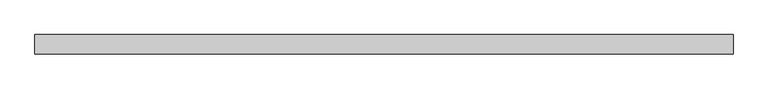
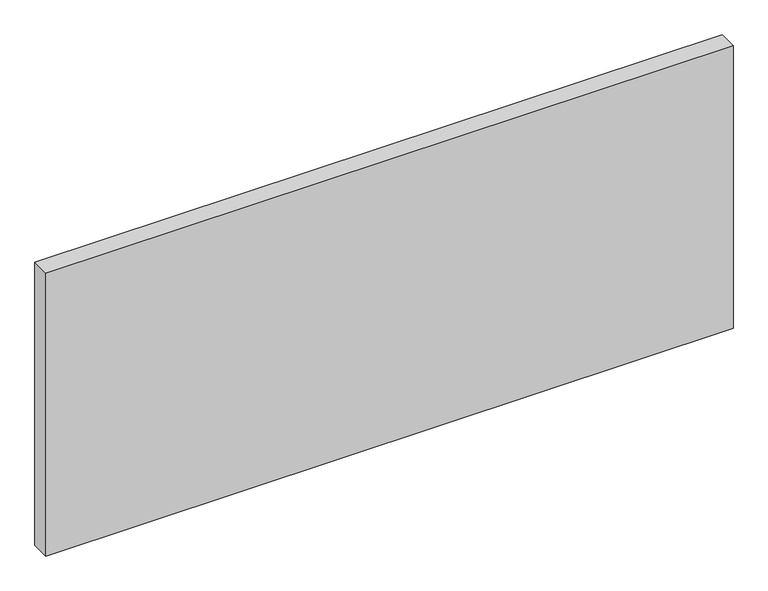
"""IFC4 building model written with IfcOpenShell, lengths in millimetres: plate geometry."""

from ifc_helpers import new_model, si_unit, origin, origin_with_axes, place, context, project, spatial, polyline, outline, extrude, source, transform, mapped, element, save


def plate_f567a6fb(model_context):
    return source(origin(), model_context, "Body", "SweptSolid", [
        extrude(outline(polyline([(575.0000002, -32.0), (-575.0000002, -32.0), (-575.0000002, 0.0), (575.0000002, 0.0), (575.0000002, -32.0)])), origin_with_axes(), (0.0, 0.0, 1.0), 500.0),
    ])


if __name__ == "__main__":
    model = new_model("IFC4")
    model_context = context("Model", 3, world=origin())
    ifc_project = project(units=[si_unit("LENGTHUNIT", "METRE", prefix="MILLI")], contexts=[model_context])
    site = spatial("IfcSite", under=ifc_project)
    building = spatial("IfcBuilding", under=site)
    placement = place(None, origin())
    plate_shape = plate_f567a6fb(model_context)
    element("IfcPlate", 1, at=placement, inside=building, context=model_context, shape_type="MappedRepresentation", body=[
        mapped(plate_shape, transform((0.0, 0.0, 0.0), x_axis=(1.0, 0.0, 0.0), y_axis=(0.0, 1.0, 0.0), z_axis=(0.0, 0.0, 1.0))),
    ])
    save(model, "model.ifc")
